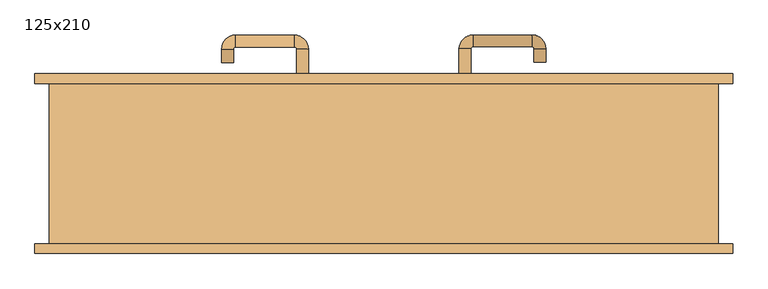
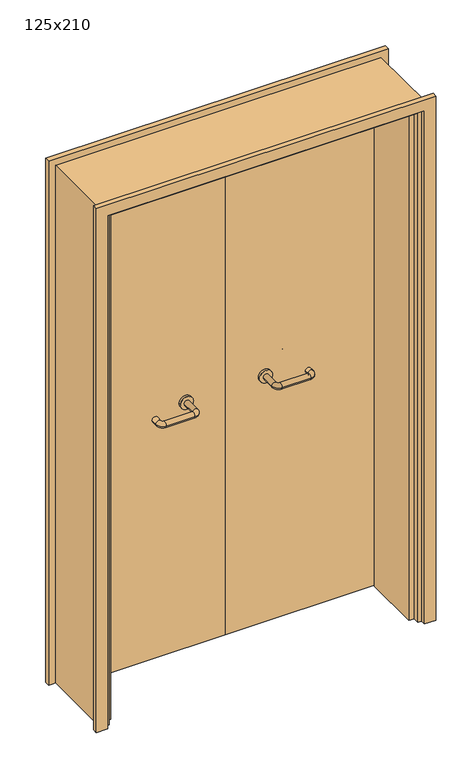
"""IFC4 building model written with IfcOpenShell, lengths in millimetres: door geometry, 125x210."""

from ifc_helpers import new_model, si_unit, point, frame, frame_2d, origin, place, context, project, spatial, polyline, circle_curve, ellipse_curve, trimmed, segment, composite_curve, outline, extrude, faceted_brep, source, transform, mapped, element, save
from ifc_brep_helpers import plane_surface, cylinder_surface, revolved_surface, advanced_brep


def door_125x210_ec5db116(model_context):
    return source(origin(), model_context, "Body", "SolidModel", [
        faceted_brep([(-572.0, 103.0, 0.0), (-572.0, -125.0, 0.0), (-593.0, -125.0, 0.0), (-593.0, 103.0, 0.0), (-572.0, 103.0, 2047.0), (-572.0, -125.0, 2047.0), (-593.0, -125.0, 2068.0), (-593.0, 103.0, 2068.0), (572.0, 103.0, 0.0), (593.0, 103.0, 0.0), (593.0, -125.0, 0.0), (572.0, -125.0, 0.0), (572.0, 103.0, 2047.0), (593.0, 103.0, 2068.0), (593.0, -125.0, 2068.0), (572.0, -125.0, 2047.0)], [[[0, 1, 2, 3]], [[1, 0, 4, 5]], [[2, 1, 5, 6]], [[3, 2, 6, 7]], [[0, 3, 7, 4]], [[8, 9, 10, 11]], [[12, 13, 9, 8]], [[13, 14, 10, 9]], [[14, 15, 11, 10]], [[15, 12, 8, 11]], [[5, 4, 12, 15]], [[6, 5, 15, 14]], [[7, 6, 14, 13]], [[4, 7, 13, 12]]]),
        extrude(outline(polyline([(2127.0, 652.0), (2127.0, -652.0), (0.0, -652.0), (0.0, -608.0), (2083.0, -608.0), (2083.0, 608.0), (0.0, 608.0), (0.0, 652.0), (2127.0, 652.0)])), frame((0.0, 150.0, 0.0), z_axis=(0.0, 1.0, 0.0), x_axis=(0.0, 0.0, 1.0)), (0.0, 0.0, 1.0), 18.0),
        extrude(outline(polyline([(2127.0, -652.0), (0.0, -652.0), (0.0, -608.0), (2083.0, -608.0), (2083.0, 608.0), (0.0, 608.0), (0.0, 652.0), (2127.0, 652.0), (2127.0, -652.0)])), frame((0.0, -168.0, 0.0), z_axis=(0.0, 1.0, 0.0), x_axis=(0.0, 0.0, 1.0)), (0.0, 0.0, 1.0), 18.0),
        extrude(outline(polyline([(2100.0, -625.0), (0.0, -625.0), (0.0, -593.0), (2068.0, -593.0), (2068.0, 593.0), (0.0, 593.0), (0.0, 625.0), (2100.0, 625.0), (2100.0, -625.0)])), frame((0.0, -150.0, 0.0), z_axis=(0.0, 1.0, 0.0), x_axis=(0.0, 0.0, 1.0)), (0.0, 0.0, 1.0), 300.0),
        extrude(outline(polyline([(1.0739506, 106.0), (-590.0, 106.0), (-590.0, 150.0), (1.0739506, 150.0), (1.0739506, 106.0)])), frame((0.0, 0.0, 1.753223), z_axis=(0.0, 0.0, 1.0), x_axis=(1.0, 0.0, 0.0)), (0.0, 0.0, 1.0), 2057.246777),
        extrude(outline(polyline([(590.0, 106.0), (1.0739506, 106.0), (1.0739506, 150.0), (590.0, 150.0), (590.0, 106.0)])), frame((0.0, 0.0, 1.753223), z_axis=(0.0, 0.0, 1.0), x_axis=(1.0, 0.0, 0.0)), (0.0, 0.0, 1.0), 2066.246777),
        extrude(outline(polyline([(2100.0, -625.0), (0.0, -625.0), (0.0, -593.0), (2068.0, -593.0), (2068.0, 593.0), (0.0, 593.0), (0.0, 625.0), (2100.0, 625.0), (2100.0, -625.0)])), frame((0.0, -150.0, 0.0), z_axis=(0.0, 1.0, 0.0), x_axis=(0.0, 0.0, 1.0)), (0.0, 0.0, 1.0), 300.0),
        advanced_brep(
        [(140.99898, 96.0, 1003.0), (162.99898, 96.0, 1003.0), (140.99898, 40.6474631, 1003.0), (162.99898, 40.6474631, 1003.0), (166.99898, 36.6474631, 1003.0), (166.99898, 14.6474631, 1003.0), (276.99898, 14.6474631, 1003.0), (276.99898, 36.6474631, 1003.0), (280.99898, 40.6474631, 1003.0), (302.99898, 40.6474631, 1003.0), (302.99898, 58.0, 1003.0), (280.99898, 58.0, 1003.0)],
        [
            (0, 1, circle_curve(frame((151.99898, 96.0, 1003.0), z_axis=(0.0, 1.0, 0.0), x_axis=(1.0, 0.0, 0.0)), 11.0)),
            (1, 0, circle_curve(frame((151.99898, 96.0, 1003.0), z_axis=(0.0, 1.0, 0.0), x_axis=(1.0, 0.0, 0.0)), 11.0)),
            (0, 2),
            (2, 3, circle_curve(frame((151.99898, 40.6474631, 1003.0), z_axis=(0.0, 1.0, 0.0), x_axis=(1.0, 0.0, 0.0)), 11.0)),
            (3, 1),
            (3, 2, circle_curve(frame((151.99898, 40.6474631, 1003.0), z_axis=(0.0, 1.0, 0.0), x_axis=(1.0, 0.0, 0.0)), 11.0)),
            (4, 3, circle_curve(frame((166.99898, 40.6474631, 1003.0), z_axis=(0.0, 0.0, -1.0), x_axis=(-1.0, 0.0, 0.0)), 4.0)),
            (2, 5, circle_curve(frame((166.99898, 40.6474631, 1003.0), z_axis=(0.0, 0.0, 1.0), x_axis=(-1.0, 0.0, 0.0)), 26.0)),
            (5, 4, circle_curve(frame((166.99898, 25.6474631, 1003.0), z_axis=(-1.0, 0.0, 0.0), x_axis=(0.0, 1.0, 0.0)), 11.0)),
            (4, 5, circle_curve(frame((166.99898, 25.6474631, 1003.0), z_axis=(-1.0, 0.0, 0.0), x_axis=(0.0, 1.0, 0.0)), 11.0)),
            (5, 6),
            (6, 7, circle_curve(frame((276.99898, 25.6474631, 1003.0), z_axis=(-1.0, 0.0, 0.0), x_axis=(0.0, 1.0, 0.0)), 11.0)),
            (7, 4),
            (7, 6, circle_curve(frame((276.99898, 25.6474631, 1003.0), z_axis=(-1.0, 0.0, 0.0), x_axis=(0.0, 1.0, 0.0)), 11.0)),
            (8, 7, circle_curve(frame((276.99898, 40.6474631, 1003.0), z_axis=(0.0, 0.0, -1.0), x_axis=(0.0, -1.0, 0.0)), 4.0)),
            (6, 9, circle_curve(frame((276.99898, 40.6474631, 1003.0), z_axis=(0.0, 0.0, 1.0), x_axis=(0.0, -1.0, 0.0)), 26.0)),
            (9, 8, circle_curve(frame((291.99898, 40.6474631, 1003.0), z_axis=(0.0, -1.0, 0.0), x_axis=(-1.0, 0.0, 0.0)), 11.0)),
            (8, 9, circle_curve(frame((291.99898, 40.6474631, 1003.0), z_axis=(0.0, -1.0, 0.0), x_axis=(-1.0, 0.0, 0.0)), 11.0)),
            (10, 11, circle_curve(frame((291.99898, 58.0, 1003.0), z_axis=(0.0, 1.0, 0.0), x_axis=(-1.0, 0.0, 0.0)), 11.0)),
            (11, 10, circle_curve(frame((291.99898, 58.0, 1003.0), z_axis=(0.0, 1.0, 0.0), x_axis=(-1.0, 0.0, 0.0)), 11.0)),
            (9, 10),
            (11, 8),
        ],
        [
            plane_surface(frame((140.99898, 96.0, 1003.0), z_axis=(0.0, 1.0, 0.0), x_axis=(0.0, 0.0, -1.0))),
            cylinder_surface(frame((151.99898, 96.0, 1003.0), z_axis=(0.0, 1.0, 0.0), x_axis=(1.0, 0.0, 0.0)), 11.0),
            revolved_surface(trimmed(ellipse_curve(frame((151.99898, 40.6474631, 1003.0), z_axis=(0.0, 1.0, 0.0), x_axis=(1.0, 0.0, 0.0)), 11.0, 11.0), [point((140.99898, 40.6474631, 1003.0))], [point((162.99898, 40.6474631, 1003.0))], True, "CARTESIAN"), (166.99898, 40.6474631, 1003.0), (0.0, 0.0, 1.0)),
            revolved_surface(trimmed(ellipse_curve(frame((151.99898, 40.6474631, 1003.0), z_axis=(0.0, 1.0, 0.0), x_axis=(1.0, 0.0, 0.0)), 11.0, 11.0), [point((162.99898, 40.6474631, 1003.0))], [point((140.99898, 40.6474631, 1003.0))], True, "CARTESIAN"), (166.99898, 40.6474631, 1003.0), (0.0, 0.0, 1.0)),
            cylinder_surface(frame((166.99898, 25.6474631, 1003.0), z_axis=(-1.0, 0.0, 0.0), x_axis=(0.0, 1.0, 0.0)), 11.0),
            revolved_surface(trimmed(ellipse_curve(frame((276.99898, 25.6474631, 1003.0), z_axis=(-1.0, 0.0, 0.0), x_axis=(0.0, 1.0, 0.0)), 11.0, 11.0), [point((276.99898, 14.6474631, 1003.0))], [point((276.99898, 36.6474631, 1003.0))], True, "CARTESIAN"), (276.99898, 40.6474631, 1003.0), (0.0, 0.0, 1.0)),
            revolved_surface(trimmed(ellipse_curve(frame((276.99898, 25.6474631, 1003.0), z_axis=(-1.0, 0.0, 0.0), x_axis=(0.0, 1.0, 0.0)), 11.0, 11.0), [point((276.99898, 36.6474631, 1003.0))], [point((276.99898, 14.6474631, 1003.0))], True, "CARTESIAN"), (276.99898, 40.6474631, 1003.0), (0.0, 0.0, 1.0)),
            plane_surface(frame((280.99898, 58.0, 1003.0), z_axis=(0.0, 1.0, 0.0), x_axis=(0.0, 0.0, 1.0))),
            cylinder_surface(frame((291.99898, 40.6474631, 1003.0), z_axis=(0.0, -1.0, 0.0), x_axis=(-1.0, 0.0, 0.0)), 11.0),
        ],
        [
            (0, [[1, 2]]),
            (1, [[-1, 3, 4, 5]]),
            (1, [[-2, -5, 6, -3]]),
            (2, [[7, -4, 8, 9]]),
            (3, [[-8, -6, -7, 10]]),
            (4, [[-9, 11, 12, 13]]),
            (4, [[-10, -13, 14, -11]]),
            (5, [[15, -12, 16, 17]]),
            (6, [[-16, -14, -15, 18]]),
            (7, [[19, 20]]),
            (8, [[-17, 21, -20, 22]]),
            (8, [[-18, -22, -19, -21]]),
        ],
    ),
        extrude(outline(composite_curve([segment(trimmed(circle_curve(frame_2d((1003.0, 151.99898)), 25.0), [point((1003.0, 126.99898))], [point((1003.0, 176.99898))], False, "CARTESIAN"), True, "CONTINUOUS"), segment(trimmed(circle_curve(frame_2d((1003.0, 151.99898)), 25.0), [point((1003.0, 176.99898))], [point((1003.0, 126.99898))], False, "CARTESIAN"), True, "CONTINUOUS")], self_intersect=False)), frame((0.0, 96.0, 0.0), z_axis=(0.0, 1.0, 0.0), x_axis=(0.0, 0.0, 1.0)), (0.0, 0.0, 1.0), 10.0),
        advanced_brep(
        [(162.99898, 160.0, 1003.0), (140.99898, 160.0, 1003.0), (162.99898, 215.0, 1003.0), (140.99898, 215.0, 1003.0), (166.99898, 241.0, 1003.0), (166.99898, 219.0, 1003.0), (276.99898, 219.0, 1003.0), (276.99898, 241.0, 1003.0), (302.99898, 215.0, 1003.0), (280.99898, 215.0, 1003.0), (280.99898, 190.0, 1003.0), (302.99898, 190.0, 1003.0)],
        [
            (0, 1, circle_curve(frame((151.99898, 160.0, 1003.0), z_axis=(0.0, -1.0, 0.0), x_axis=(-1.0, 0.0, 0.0)), 11.0)),
            (1, 0, circle_curve(frame((151.99898, 160.0, 1003.0), z_axis=(0.0, -1.0, 0.0), x_axis=(-1.0, 0.0, 0.0)), 11.0)),
            (0, 2),
            (2, 3, circle_curve(frame((151.99898, 215.0, 1003.0), z_axis=(0.0, -1.0, 0.0), x_axis=(-1.0, 0.0, 0.0)), 11.0)),
            (3, 1),
            (3, 2, circle_curve(frame((151.99898, 215.0, 1003.0), z_axis=(0.0, -1.0, 0.0), x_axis=(-1.0, 0.0, 0.0)), 11.0)),
            (4, 3, circle_curve(frame((166.99898, 215.0, 1003.0), z_axis=(0.0, 0.0, 1.0), x_axis=(-1.0, 0.0, 0.0)), 26.0)),
            (2, 5, circle_curve(frame((166.99898, 215.0, 1003.0), z_axis=(0.0, 0.0, -1.0), x_axis=(-1.0, 0.0, 0.0)), 4.0)),
            (5, 4, circle_curve(frame((166.99898, 230.0, 1003.0), z_axis=(-1.0, 0.0, 0.0), x_axis=(0.0, 1.0, 0.0)), 11.0)),
            (4, 5, circle_curve(frame((166.99898, 230.0, 1003.0), z_axis=(-1.0, 0.0, 0.0), x_axis=(0.0, 1.0, 0.0)), 11.0)),
            (5, 6),
            (6, 7, circle_curve(frame((276.99898, 230.0, 1003.0), z_axis=(-1.0, 0.0, 0.0), x_axis=(0.0, 1.0, 0.0)), 11.0)),
            (7, 4),
            (7, 6, circle_curve(frame((276.99898, 230.0, 1003.0), z_axis=(-1.0, 0.0, 0.0), x_axis=(0.0, 1.0, 0.0)), 11.0)),
            (8, 7, circle_curve(frame((276.99898, 215.0, 1003.0), z_axis=(0.0, 0.0, 1.0), x_axis=(0.0, 1.0, 0.0)), 26.0)),
            (6, 9, circle_curve(frame((276.99898, 215.0, 1003.0), z_axis=(0.0, 0.0, -1.0), x_axis=(0.0, 1.0, 0.0)), 4.0)),
            (9, 8, circle_curve(frame((291.99898, 215.0, 1003.0), z_axis=(0.0, 1.0, 0.0), x_axis=(1.0, 0.0, 0.0)), 11.0)),
            (8, 9, circle_curve(frame((291.99898, 215.0, 1003.0), z_axis=(0.0, 1.0, 0.0), x_axis=(1.0, 0.0, 0.0)), 11.0)),
            (10, 11, circle_curve(frame((291.99898, 190.0, 1003.0), z_axis=(0.0, -1.0, 0.0), x_axis=(1.0, 0.0, 0.0)), 11.0)),
            (11, 10, circle_curve(frame((291.99898, 190.0, 1003.0), z_axis=(0.0, -1.0, 0.0), x_axis=(1.0, 0.0, 0.0)), 11.0)),
            (9, 10),
            (11, 8),
        ],
        [
            plane_surface(frame((140.99898, 160.0, 1003.0), z_axis=(0.0, -1.0, 0.0), x_axis=(0.0, 0.0, 1.0))),
            cylinder_surface(frame((151.99898, 160.0, 1003.0), z_axis=(0.0, -1.0, 0.0), x_axis=(-1.0, 0.0, 0.0)), 11.0),
            revolved_surface(trimmed(ellipse_curve(frame((151.99898, 215.0, 1003.0), z_axis=(0.0, -1.0, 0.0), x_axis=(-1.0, 0.0, 0.0)), 11.0, 11.0), [point((162.99898, 215.0, 1003.0))], [point((140.99898, 215.0, 1003.0))], True, "CARTESIAN"), (166.99898, 215.0, 1003.0), (0.0, 0.0, -1.0)),
            revolved_surface(trimmed(ellipse_curve(frame((151.99898, 215.0, 1003.0), z_axis=(0.0, -1.0, 0.0), x_axis=(-1.0, 0.0, 0.0)), 11.0, 11.0), [point((140.99898, 215.0, 1003.0))], [point((162.99898, 215.0, 1003.0))], True, "CARTESIAN"), (166.99898, 215.0, 1003.0), (0.0, 0.0, -1.0)),
            cylinder_surface(frame((166.99898, 230.0, 1003.0), z_axis=(-1.0, 0.0, 0.0), x_axis=(0.0, 1.0, 0.0)), 11.0),
            revolved_surface(trimmed(ellipse_curve(frame((276.99898, 230.0, 1003.0), z_axis=(-1.0, 0.0, 0.0), x_axis=(0.0, 1.0, 0.0)), 11.0, 11.0), [point((276.99898, 219.0, 1003.0))], [point((276.99898, 241.0, 1003.0))], True, "CARTESIAN"), (276.99898, 215.0, 1003.0), (0.0, 0.0, -1.0)),
            revolved_surface(trimmed(ellipse_curve(frame((276.99898, 230.0, 1003.0), z_axis=(-1.0, 0.0, 0.0), x_axis=(0.0, 1.0, 0.0)), 11.0, 11.0), [point((276.99898, 241.0, 1003.0))], [point((276.99898, 219.0, 1003.0))], True, "CARTESIAN"), (276.99898, 215.0, 1003.0), (0.0, 0.0, -1.0)),
            plane_surface(frame((280.99898, 190.0, 1003.0), z_axis=(0.0, -1.0, 0.0), x_axis=(0.0, 0.0, -1.0))),
            cylinder_surface(frame((291.99898, 215.0, 1003.0), z_axis=(0.0, 1.0, 0.0), x_axis=(1.0, 0.0, 0.0)), 11.0),
        ],
        [
            (0, [[1, 2]]),
            (1, [[-1, 3, 4, 5]]),
            (1, [[-2, -5, 6, -3]]),
            (2, [[7, -4, 8, 9]]),
            (3, [[-8, -6, -7, 10]]),
            (4, [[-9, 11, 12, 13]]),
            (4, [[-10, -13, 14, -11]]),
            (5, [[15, -12, 16, 17]]),
            (6, [[-16, -14, -15, 18]]),
            (7, [[19, 20]]),
            (8, [[-17, 21, -20, 22]]),
            (8, [[-18, -22, -19, -21]]),
        ],
    ),
        extrude(outline(composite_curve([segment(trimmed(circle_curve(frame_2d((1003.0, 151.99898)), 25.0), [point((1003.0, 176.99898))], [point((1003.0, 126.99898))], False, "CARTESIAN"), True, "CONTINUOUS"), segment(trimmed(circle_curve(frame_2d((1003.0, 151.99898)), 25.0), [point((1003.0, 126.99898))], [point((1003.0, 176.99898))], False, "CARTESIAN"), True, "CONTINUOUS")], self_intersect=False)), frame((0.0, 150.0, 0.0), z_axis=(0.0, 1.0, 0.0), x_axis=(0.0, 0.0, 1.0)), (0.0, 0.0, 1.0), 10.0),
        advanced_brep(
        [(-162.99898, 95.6886121, 1003.0), (-140.99898, 95.6886121, 1003.0), (-162.99898, 40.2779553, 1003.0), (-140.99898, 40.2779553, 1003.0), (-166.99898, 14.2779553, 1003.0), (-166.99898, 36.2779553, 1003.0), (-276.99898, 36.2779553, 1003.0), (-276.99898, 14.2779553, 1003.0), (-302.99898, 40.2779553, 1003.0), (-280.99898, 40.2779553, 1003.0), (-280.99898, 65.2779553, 1003.0), (-302.99898, 65.2779553, 1003.0)],
        [
            (0, 1, circle_curve(frame((-151.99898, 95.6886121, 1003.0), z_axis=(0.0, 1.0, 0.0), x_axis=(1.0, 0.0, 0.0)), 11.0)),
            (1, 0, circle_curve(frame((-151.99898, 95.6886121, 1003.0), z_axis=(0.0, 1.0, 0.0), x_axis=(1.0, 0.0, 0.0)), 11.0)),
            (0, 2),
            (2, 3, circle_curve(frame((-151.99898, 40.2779553, 1003.0), z_axis=(0.0, 1.0, 0.0), x_axis=(1.0, 0.0, 0.0)), 11.0)),
            (3, 1),
            (3, 2, circle_curve(frame((-151.99898, 40.2779553, 1003.0), z_axis=(0.0, 1.0, 0.0), x_axis=(1.0, 0.0, 0.0)), 11.0)),
            (4, 3, circle_curve(frame((-166.99898, 40.2779553, 1003.0), z_axis=(0.0, 0.0, 1.0), x_axis=(1.0, 0.0, 0.0)), 26.0)),
            (2, 5, circle_curve(frame((-166.99898, 40.2779553, 1003.0), z_axis=(0.0, 0.0, -1.0), x_axis=(1.0, 0.0, 0.0)), 4.0)),
            (5, 4, circle_curve(frame((-166.99898, 25.2779553, 1003.0), z_axis=(1.0, 0.0, 0.0), x_axis=(0.0, -1.0, 0.0)), 11.0)),
            (4, 5, circle_curve(frame((-166.99898, 25.2779553, 1003.0), z_axis=(1.0, 0.0, 0.0), x_axis=(0.0, -1.0, 0.0)), 11.0)),
            (5, 6),
            (6, 7, circle_curve(frame((-276.99898, 25.2779553, 1003.0), z_axis=(1.0, 0.0, 0.0), x_axis=(0.0, -1.0, 0.0)), 11.0)),
            (7, 4),
            (7, 6, circle_curve(frame((-276.99898, 25.2779553, 1003.0), z_axis=(1.0, 0.0, 0.0), x_axis=(0.0, -1.0, 0.0)), 11.0)),
            (8, 7, circle_curve(frame((-276.99898, 40.2779553, 1003.0), z_axis=(0.0, 0.0, 1.0), x_axis=(0.0, -1.0, 0.0)), 26.0)),
            (6, 9, circle_curve(frame((-276.99898, 40.2779553, 1003.0), z_axis=(0.0, 0.0, -1.0), x_axis=(0.0, -1.0, 0.0)), 4.0)),
            (9, 8, circle_curve(frame((-291.99898, 40.2779553, 1003.0), z_axis=(0.0, -1.0, 0.0), x_axis=(-1.0, 0.0, 0.0)), 11.0)),
            (8, 9, circle_curve(frame((-291.99898, 40.2779553, 1003.0), z_axis=(0.0, -1.0, 0.0), x_axis=(-1.0, 0.0, 0.0)), 11.0)),
            (10, 11, circle_curve(frame((-291.99898, 65.2779553, 1003.0), z_axis=(0.0, 1.0, 0.0), x_axis=(-1.0, 0.0, 0.0)), 11.0)),
            (11, 10, circle_curve(frame((-291.99898, 65.2779553, 1003.0), z_axis=(0.0, 1.0, 0.0), x_axis=(-1.0, 0.0, 0.0)), 11.0)),
            (9, 10),
            (11, 8),
        ],
        [
            plane_surface(frame((-162.99898, 95.6886121, 1003.0), z_axis=(0.0, 1.0, 0.0), x_axis=(0.0, 0.0, -1.0))),
            cylinder_surface(frame((-151.99898, 95.6886121, 1003.0), z_axis=(0.0, 1.0, 0.0), x_axis=(1.0, 0.0, 0.0)), 11.0),
            revolved_surface(trimmed(ellipse_curve(frame((-151.99898, 40.2779553, 1003.0), z_axis=(0.0, 1.0, 0.0), x_axis=(1.0, 0.0, 0.0)), 11.0, 11.0), [point((-162.99898, 40.2779553, 1003.0))], [point((-140.99898, 40.2779553, 1003.0))], True, "CARTESIAN"), (-166.99898, 40.2779553, 1003.0), (0.0, 0.0, -1.0)),
            revolved_surface(trimmed(ellipse_curve(frame((-151.99898, 40.2779553, 1003.0), z_axis=(0.0, 1.0, 0.0), x_axis=(1.0, 0.0, 0.0)), 11.0, 11.0), [point((-140.99898, 40.2779553, 1003.0))], [point((-162.99898, 40.2779553, 1003.0))], True, "CARTESIAN"), (-166.99898, 40.2779553, 1003.0), (0.0, 0.0, -1.0)),
            cylinder_surface(frame((-166.99898, 25.2779553, 1003.0), z_axis=(1.0, 0.0, 0.0), x_axis=(0.0, -1.0, 0.0)), 11.0),
            revolved_surface(trimmed(ellipse_curve(frame((-276.99898, 25.2779553, 1003.0), z_axis=(1.0, 0.0, 0.0), x_axis=(0.0, -1.0, 0.0)), 11.0, 11.0), [point((-276.99898, 36.2779553, 1003.0))], [point((-276.99898, 14.2779553, 1003.0))], True, "CARTESIAN"), (-276.99898, 40.2779553, 1003.0), (0.0, 0.0, -1.0)),
            revolved_surface(trimmed(ellipse_curve(frame((-276.99898, 25.2779553, 1003.0), z_axis=(1.0, 0.0, 0.0), x_axis=(0.0, -1.0, 0.0)), 11.0, 11.0), [point((-276.99898, 14.2779553, 1003.0))], [point((-276.99898, 36.2779553, 1003.0))], True, "CARTESIAN"), (-276.99898, 40.2779553, 1003.0), (0.0, 0.0, -1.0)),
            plane_surface(frame((-302.99898, 65.2779553, 1003.0), z_axis=(0.0, 1.0, 0.0), x_axis=(0.0, 0.0, 1.0))),
            cylinder_surface(frame((-291.99898, 40.2779553, 1003.0), z_axis=(0.0, -1.0, 0.0), x_axis=(-1.0, 0.0, 0.0)), 11.0),
        ],
        [
            (0, [[1, 2]]),
            (1, [[-1, 3, 4, 5]]),
            (1, [[-2, -5, 6, -3]]),
            (2, [[7, -4, 8, 9]]),
            (3, [[-8, -6, -7, 10]]),
            (4, [[-9, 11, 12, 13]]),
            (4, [[-10, -13, 14, -11]]),
            (5, [[15, -12, 16, 17]]),
            (6, [[-16, -14, -15, 18]]),
            (7, [[19, 20]]),
            (8, [[-17, 21, -20, 22]]),
            (8, [[-18, -22, -19, -21]]),
        ],
    ),
        extrude(outline(composite_curve([segment(trimmed(circle_curve(frame_2d((1003.0, -151.99898)), 25.0), [point((1003.0, -176.99898))], [point((1003.0, -126.99898))], False, "CARTESIAN"), True, "CONTINUOUS"), segment(trimmed(circle_curve(frame_2d((1003.0, -151.99898)), 25.0), [point((1003.0, -126.99898))], [point((1003.0, -176.99898))], False, "CARTESIAN"), True, "CONTINUOUS")], self_intersect=False)), frame((0.0, 95.6886121, 0.0), z_axis=(0.0, 1.0, 0.0), x_axis=(0.0, 0.0, 1.0)), (0.0, 0.0, 1.0), 10.3113879),
        advanced_brep(
        [(-140.99898, 159.5143417, 1003.0), (-162.99898, 159.5143417, 1003.0), (-140.99898, 214.6104656, 1003.0), (-162.99898, 214.6104656, 1003.0), (-166.99898, 218.6104656, 1003.0), (-166.99898, 240.6104656, 1003.0), (-276.99898, 240.6104656, 1003.0), (-276.99898, 218.6104656, 1003.0), (-280.99898, 214.6104656, 1003.0), (-302.99898, 214.6104656, 1003.0), (-302.99898, 189.6104656, 1003.0), (-280.99898, 189.6104656, 1003.0)],
        [
            (0, 1, circle_curve(frame((-151.99898, 159.5143417, 1003.0), z_axis=(0.0, -1.0, 0.0), x_axis=(-1.0, 0.0, 0.0)), 11.0)),
            (1, 0, circle_curve(frame((-151.99898, 159.5143417, 1003.0), z_axis=(0.0, -1.0, 0.0), x_axis=(-1.0, 0.0, 0.0)), 11.0)),
            (0, 2),
            (2, 3, circle_curve(frame((-151.99898, 214.6104656, 1003.0), z_axis=(0.0, -1.0, 0.0), x_axis=(-1.0, 0.0, 0.0)), 11.0)),
            (3, 1),
            (3, 2, circle_curve(frame((-151.99898, 214.6104656, 1003.0), z_axis=(0.0, -1.0, 0.0), x_axis=(-1.0, 0.0, 0.0)), 11.0)),
            (4, 3, circle_curve(frame((-166.99898, 214.6104656, 1003.0), z_axis=(0.0, 0.0, -1.0), x_axis=(1.0, 0.0, 0.0)), 4.0)),
            (2, 5, circle_curve(frame((-166.99898, 214.6104656, 1003.0), z_axis=(0.0, 0.0, 1.0), x_axis=(1.0, 0.0, 0.0)), 26.0)),
            (5, 4, circle_curve(frame((-166.99898, 229.6104656, 1003.0), z_axis=(1.0, 0.0, 0.0), x_axis=(0.0, -1.0, 0.0)), 11.0)),
            (4, 5, circle_curve(frame((-166.99898, 229.6104656, 1003.0), z_axis=(1.0, 0.0, 0.0), x_axis=(0.0, -1.0, 0.0)), 11.0)),
            (5, 6),
            (6, 7, circle_curve(frame((-276.99898, 229.6104656, 1003.0), z_axis=(1.0, 0.0, 0.0), x_axis=(0.0, -1.0, 0.0)), 11.0)),
            (7, 4),
            (7, 6, circle_curve(frame((-276.99898, 229.6104656, 1003.0), z_axis=(1.0, 0.0, 0.0), x_axis=(0.0, -1.0, 0.0)), 11.0)),
            (8, 7, circle_curve(frame((-276.99898, 214.6104656, 1003.0), z_axis=(0.0, 0.0, -1.0), x_axis=(0.0, 1.0, 0.0)), 4.0)),
            (6, 9, circle_curve(frame((-276.99898, 214.6104656, 1003.0), z_axis=(0.0, 0.0, 1.0), x_axis=(0.0, 1.0, 0.0)), 26.0)),
            (9, 8, circle_curve(frame((-291.99898, 214.6104656, 1003.0), z_axis=(0.0, 1.0, 0.0), x_axis=(1.0, 0.0, 0.0)), 11.0)),
            (8, 9, circle_curve(frame((-291.99898, 214.6104656, 1003.0), z_axis=(0.0, 1.0, 0.0), x_axis=(1.0, 0.0, 0.0)), 11.0)),
            (10, 11, circle_curve(frame((-291.99898, 189.6104656, 1003.0), z_axis=(0.0, -1.0, 0.0), x_axis=(1.0, 0.0, 0.0)), 11.0)),
            (11, 10, circle_curve(frame((-291.99898, 189.6104656, 1003.0), z_axis=(0.0, -1.0, 0.0), x_axis=(1.0, 0.0, 0.0)), 11.0)),
            (9, 10),
            (11, 8),
        ],
        [
            plane_surface(frame((-162.99898, 159.5143417, 1003.0), z_axis=(0.0, -1.0, 0.0), x_axis=(0.0, 0.0, 1.0))),
            cylinder_surface(frame((-151.99898, 159.5143417, 1003.0), z_axis=(0.0, -1.0, 0.0), x_axis=(-1.0, 0.0, 0.0)), 11.0),
            revolved_surface(trimmed(ellipse_curve(frame((-151.99898, 214.6104656, 1003.0), z_axis=(0.0, -1.0, 0.0), x_axis=(-1.0, 0.0, 0.0)), 11.0, 11.0), [point((-140.99898, 214.6104656, 1003.0))], [point((-162.99898, 214.6104656, 1003.0))], True, "CARTESIAN"), (-166.99898, 214.6104656, 1003.0), (0.0, 0.0, 1.0)),
            revolved_surface(trimmed(ellipse_curve(frame((-151.99898, 214.6104656, 1003.0), z_axis=(0.0, -1.0, 0.0), x_axis=(-1.0, 0.0, 0.0)), 11.0, 11.0), [point((-162.99898, 214.6104656, 1003.0))], [point((-140.99898, 214.6104656, 1003.0))], True, "CARTESIAN"), (-166.99898, 214.6104656, 1003.0), (0.0, 0.0, 1.0)),
            cylinder_surface(frame((-166.99898, 229.6104656, 1003.0), z_axis=(1.0, 0.0, 0.0), x_axis=(0.0, -1.0, 0.0)), 11.0),
            revolved_surface(trimmed(ellipse_curve(frame((-276.99898, 229.6104656, 1003.0), z_axis=(1.0, 0.0, 0.0), x_axis=(0.0, -1.0, 0.0)), 11.0, 11.0), [point((-276.99898, 240.6104656, 1003.0))], [point((-276.99898, 218.6104656, 1003.0))], True, "CARTESIAN"), (-276.99898, 214.6104656, 1003.0), (0.0, 0.0, 1.0)),
            revolved_surface(trimmed(ellipse_curve(frame((-276.99898, 229.6104656, 1003.0), z_axis=(1.0, 0.0, 0.0), x_axis=(0.0, -1.0, 0.0)), 11.0, 11.0), [point((-276.99898, 218.6104656, 1003.0))], [point((-276.99898, 240.6104656, 1003.0))], True, "CARTESIAN"), (-276.99898, 214.6104656, 1003.0), (0.0, 0.0, 1.0)),
            plane_surface(frame((-302.99898, 189.6104656, 1003.0), z_axis=(0.0, -1.0, 0.0), x_axis=(0.0, 0.0, -1.0))),
            cylinder_surface(frame((-291.99898, 214.6104656, 1003.0), z_axis=(0.0, 1.0, 0.0), x_axis=(1.0, 0.0, 0.0)), 11.0),
        ],
        [
            (0, [[1, 2]]),
            (1, [[-1, 3, 4, 5]]),
            (1, [[-2, -5, 6, -3]]),
            (2, [[7, -4, 8, 9]]),
            (3, [[-8, -6, -7, 10]]),
            (4, [[-9, 11, 12, 13]]),
            (4, [[-10, -13, 14, -11]]),
            (5, [[15, -12, 16, 17]]),
            (6, [[-16, -14, -15, 18]]),
            (7, [[19, 20]]),
            (8, [[-17, 21, -20, 22]]),
            (8, [[-18, -22, -19, -21]]),
        ],
    ),
        extrude(outline(composite_curve([segment(trimmed(circle_curve(frame_2d((1003.0, -151.99898)), 25.0), [point((1003.0, -126.99898))], [point((1003.0, -176.99898))], False, "CARTESIAN"), True, "CONTINUOUS"), segment(trimmed(circle_curve(frame_2d((1003.0, -151.99898)), 25.0), [point((1003.0, -176.99898))], [point((1003.0, -126.99898))], False, "CARTESIAN"), True, "CONTINUOUS")], self_intersect=False)), frame((0.0, 150.0, 0.0), z_axis=(0.0, 1.0, 0.0), x_axis=(0.0, 0.0, 1.0)), (0.0, 0.0, 1.0), 9.5143417),
    ])


if __name__ == "__main__":
    model = new_model("IFC4")
    model_context = context("Model", 3, world=origin())
    ifc_project = project(units=[si_unit("LENGTHUNIT", "METRE", prefix="MILLI")], contexts=[model_context])
    site = spatial("IfcSite", under=ifc_project)
    building = spatial("IfcBuilding", under=site)
    placement = place(None, origin())
    door_125x210_shape = door_125x210_ec5db116(model_context)
    element("IfcDoor", 1, ObjectType="125x210", at=placement, inside=building, context=model_context, shape_type="MappedRepresentation", body=[
        mapped(door_125x210_shape, transform((0.0, 0.0, 0.0), x_axis=(1.0, 0.0, 0.0), y_axis=(0.0, 1.0, 0.0), z_axis=(0.0, 0.0, 1.0))),
    ])
    save(model, "model.ifc")
